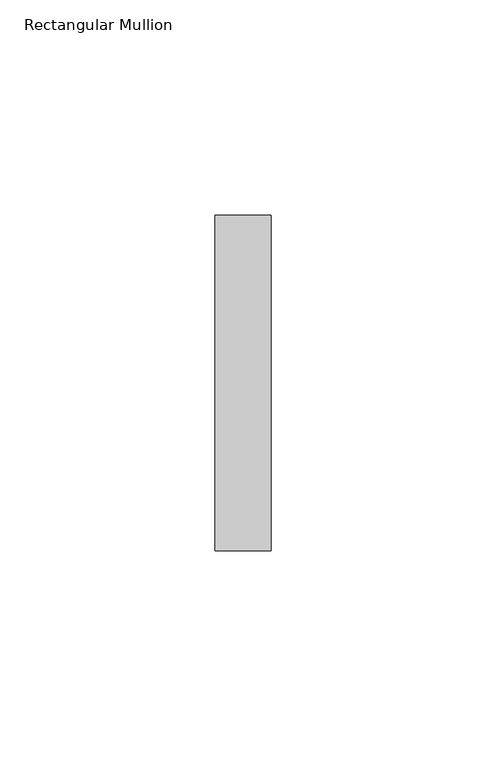
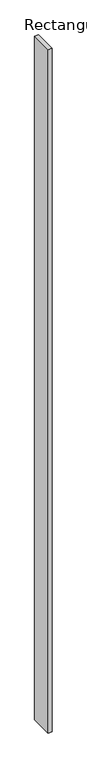
"""IFC4 building model written with IfcOpenShell, lengths in millimetres: member geometry, Rectangular Mullion."""

from ifc_helpers import new_model, si_unit, frame, origin, place, context, project, spatial, polyline, outline, extrude, source, transform, mapped, element, save


def rectangular_mullion_a745b573(model_context):
    return source(origin(), model_context, "Body", "SweptSolid", [
        extrude(outline(polyline([(0.0, 39.0), (0.0, -39.0), (-13.0, -39.0), (-13.0, 39.0), (0.0, 39.0)])), frame((0.0, 0.0, -2400.0), z_axis=(0.0, 0.0, 1.0), x_axis=(1.0, 0.0, 0.0)), (0.0, 0.0, 1.0), 2400.0),
    ])


if __name__ == "__main__":
    model = new_model("IFC4")
    model_context = context("Model", 3, world=origin())
    ifc_project = project(units=[si_unit("LENGTHUNIT", "METRE", prefix="MILLI")], contexts=[model_context])
    site = spatial("IfcSite", under=ifc_project)
    building = spatial("IfcBuilding", under=site)
    placement = place(None, origin())
    rectangular_mullion_shape = rectangular_mullion_a745b573(model_context)
    element("IfcMember", 1, ObjectType="Rectangular Mullion", at=placement, inside=building, context=model_context, shape_type="MappedRepresentation", body=[
        mapped(rectangular_mullion_shape, transform((0.0, 0.0, 0.0), x_axis=(1.0, 0.0, 0.0), y_axis=(0.0, 1.0, 0.0), z_axis=(0.0, 0.0, 1.0))),
    ])
    save(model, "model.ifc")
